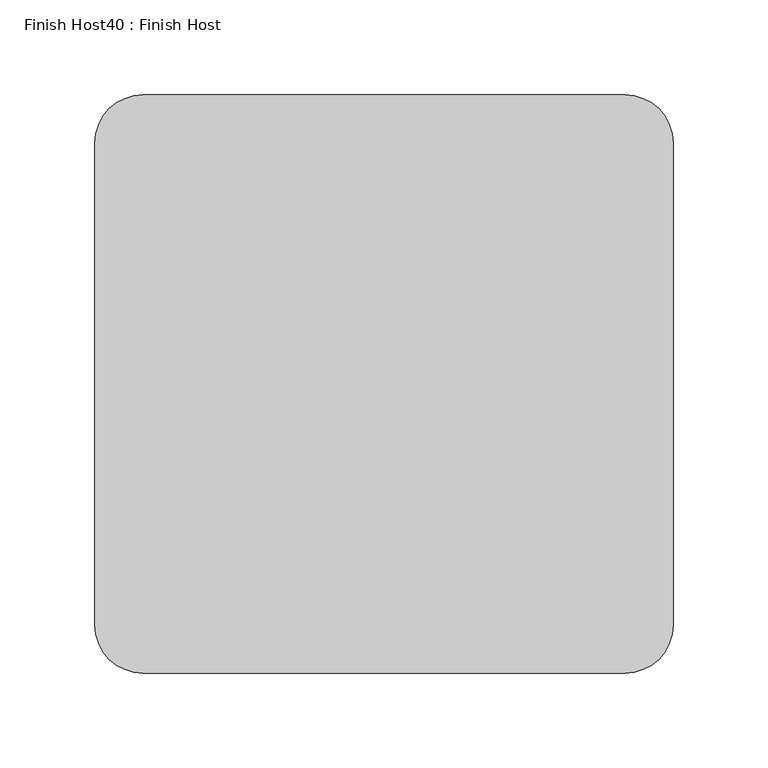
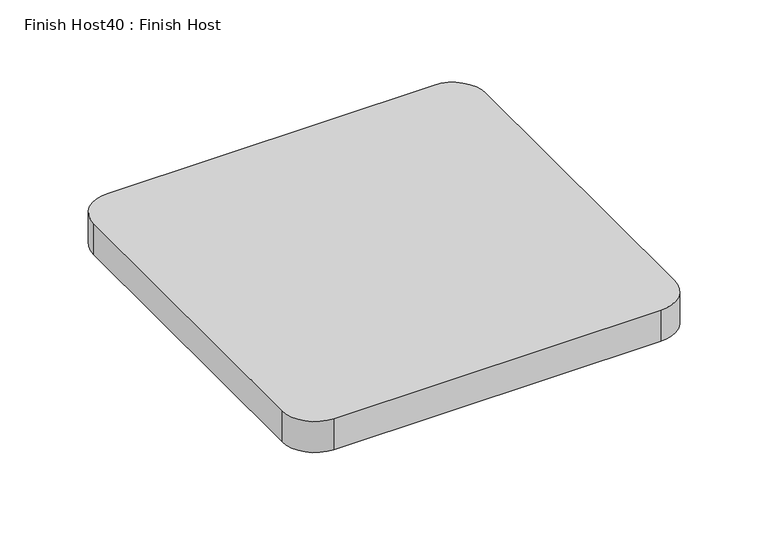
"""IFC4 building model written with IfcOpenShell, lengths in millimetres: proxy geometry, Finish Host40 : Finish Host."""

from ifc_helpers import new_model, si_unit, point, frame_2d, origin, origin_with_axes, place, context, project, spatial, polyline, circle_curve, trimmed, segment, composite_curve, outline, extrude, source, transform, mapped, element, save


def finish_host40_finish_host_98985327(model_context):
    return source(origin(), model_context, "Body", "SweptSolid", [
        extrude(outline(composite_curve([segment(polyline([(1546.6934426, 2527.6122951), (1546.6934426, 2781.6122951)]), True, "CONTINUOUS"), segment(trimmed(circle_curve(frame_2d((1572.0934426, 2781.6122951)), 25.4), [point((1546.6934426, 2781.6122951))], [point((1572.0934426, 2807.0122951))], False, "CARTESIAN"), True, "CONTINUOUS"), segment(polyline([(1572.0934426, 2807.0122951), (1826.0934426, 2807.0122951)]), True, "CONTINUOUS"), segment(trimmed(circle_curve(frame_2d((1826.0934426, 2781.6122951)), 25.4), [point((1826.0934426, 2807.0122951))], [point((1851.4934426, 2781.6122951))], False, "CARTESIAN"), True, "CONTINUOUS"), segment(polyline([(1851.4934426, 2781.6122951), (1851.4934426, 2527.6122951)]), True, "CONTINUOUS"), segment(trimmed(circle_curve(frame_2d((1826.0934426, 2527.6122951)), 25.4), [point((1851.4934426, 2527.6122951))], [point((1826.0934426, 2502.2122951))], False, "CARTESIAN"), True, "CONTINUOUS"), segment(polyline([(1826.0934426, 2502.2122951), (1572.0934426, 2502.2122951)]), True, "CONTINUOUS"), segment(trimmed(circle_curve(frame_2d((1572.0934426, 2527.6122951)), 25.4), [point((1572.0934426, 2502.2122951))], [point((1546.6934426, 2527.6122951))], False, "CARTESIAN"), True, "CONTINUOUS")], self_intersect=False)), origin_with_axes(), (0.0, 0.0, 1.0), 25.4),
    ])


if __name__ == "__main__":
    model = new_model("IFC4")
    model_context = context("Model", 3, world=origin())
    ifc_project = project(units=[si_unit("LENGTHUNIT", "METRE", prefix="MILLI")], contexts=[model_context])
    site = spatial("IfcSite", under=ifc_project)
    building = spatial("IfcBuilding", under=site)
    placement = place(None, origin())
    finish_host40_finish_host_shape = finish_host40_finish_host_98985327(model_context)
    element("IfcBuildingElementProxy", 1, Name="Finish Host40 : Finish Host", ObjectType="Finish Host40 : Finish Host", at=placement, inside=building, context=model_context, shape_type="MappedRepresentation", body=[
        mapped(finish_host40_finish_host_shape, transform((0.0, 0.0, 0.0), x_axis=(1.0, 0.0, 0.0), y_axis=(0.0, 1.0, 0.0), z_axis=(0.0, 0.0, 1.0))),
    ])
    save(model, "model.ifc")
